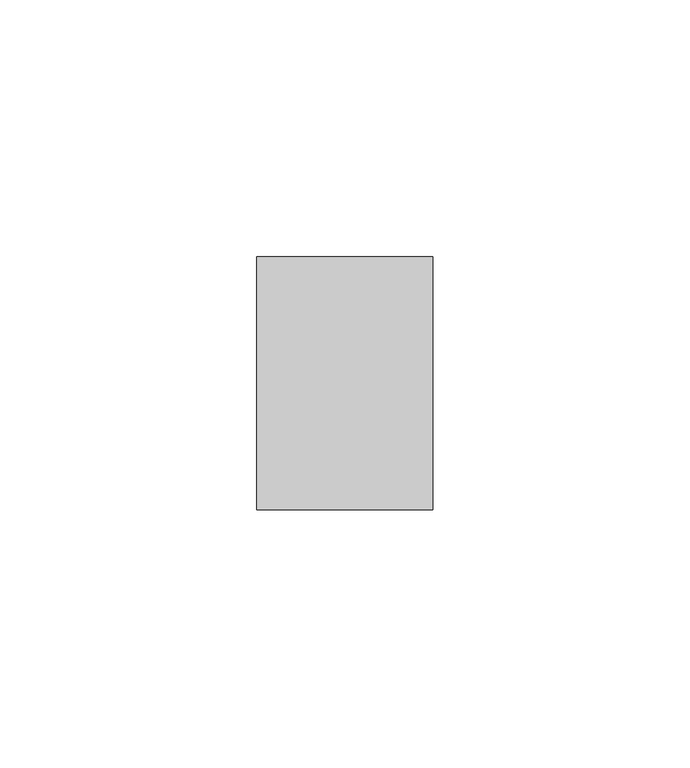
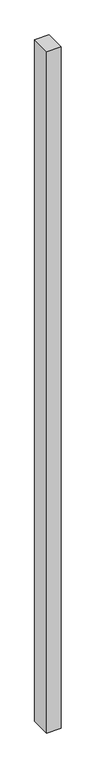
"""IFC4 building model written with IfcOpenShell, lengths in millimetres: plate geometry."""

from ifc_helpers import new_model, si_unit, origin, origin_with_axes, place, context, project, spatial, polyline, outline, extrude, source, transform, mapped, element, save


def plate_1a4a5ab8(model_context):
    return source(origin(), model_context, "Body", "SweptSolid", [
        extrude(outline(polyline([(17.1340206, -24.60625), (-17.1340206, -24.60625), (-17.1340206, 24.60625), (17.1340206, 24.60625), (17.1340206, -24.60625)])), origin_with_axes(), (0.0, 0.0, 1.0), 1708.8912252),
    ])


if __name__ == "__main__":
    model = new_model("IFC4")
    model_context = context("Model", 3, world=origin())
    ifc_project = project(units=[si_unit("LENGTHUNIT", "METRE", prefix="MILLI")], contexts=[model_context])
    site = spatial("IfcSite", under=ifc_project)
    building = spatial("IfcBuilding", under=site)
    placement = place(None, origin())
    plate_shape = plate_1a4a5ab8(model_context)
    element("IfcPlate", 1, at=placement, inside=building, context=model_context, shape_type="MappedRepresentation", body=[
        mapped(plate_shape, transform((0.0, 0.0, 0.0), x_axis=(1.0, 0.0, 0.0), y_axis=(0.0, 1.0, 0.0), z_axis=(0.0, 0.0, 1.0))),
    ])
    save(model, "model.ifc")
